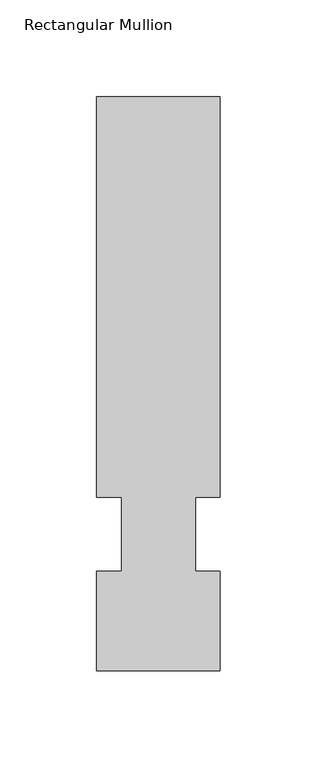
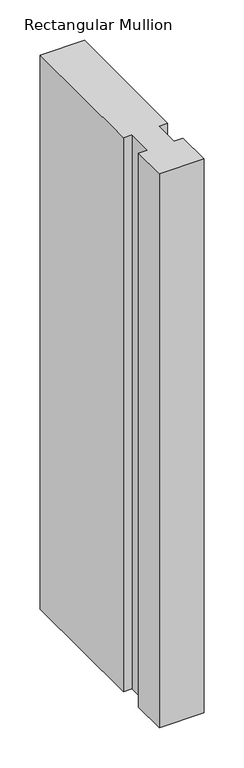
"""IFC4 building model written with IfcOpenShell, lengths in millimetres: member geometry, Rectangular Mullion."""

from ifc_helpers import new_model, si_unit, frame, origin, place, context, project, spatial, polyline, outline, extrude, source, transform, mapped, element, save


def rectangular_mullion_1731639c(model_context):
    return source(origin(), model_context, "Body", "SweptSolid", [
        extrude(outline(polyline([(31.75, 295.9695312), (31.75, 89.5945313), (19.05, 89.5945313), (19.05, 51.4945313), (31.75, 51.4945313), (31.75, 0.2119313), (-31.75, 0.2119313), (-31.75, 51.4945313), (-19.05, 51.4945313), (-19.05, 89.5945313), (-31.75, 89.5945313), (-31.75, 295.9695313), (31.75, 295.9695312)])), frame((0.0, 0.0, -838.2), z_axis=(0.0, 0.0, 1.0), x_axis=(1.0, 0.0, 0.0)), (0.0, 0.0, 1.0), 838.2),
    ])


if __name__ == "__main__":
    model = new_model("IFC4")
    model_context = context("Model", 3, world=origin())
    ifc_project = project(units=[si_unit("LENGTHUNIT", "METRE", prefix="MILLI")], contexts=[model_context])
    site = spatial("IfcSite", under=ifc_project)
    building = spatial("IfcBuilding", under=site)
    placement = place(None, origin())
    rectangular_mullion_shape = rectangular_mullion_1731639c(model_context)
    element("IfcMember", 1, ObjectType="Rectangular Mullion", at=placement, inside=building, context=model_context, shape_type="MappedRepresentation", body=[
        mapped(rectangular_mullion_shape, transform((0.0, 0.0, 0.0), x_axis=(1.0, 0.0, 0.0), y_axis=(0.0, 1.0, 0.0), z_axis=(0.0, 0.0, 1.0))),
    ])
    save(model, "model.ifc")
